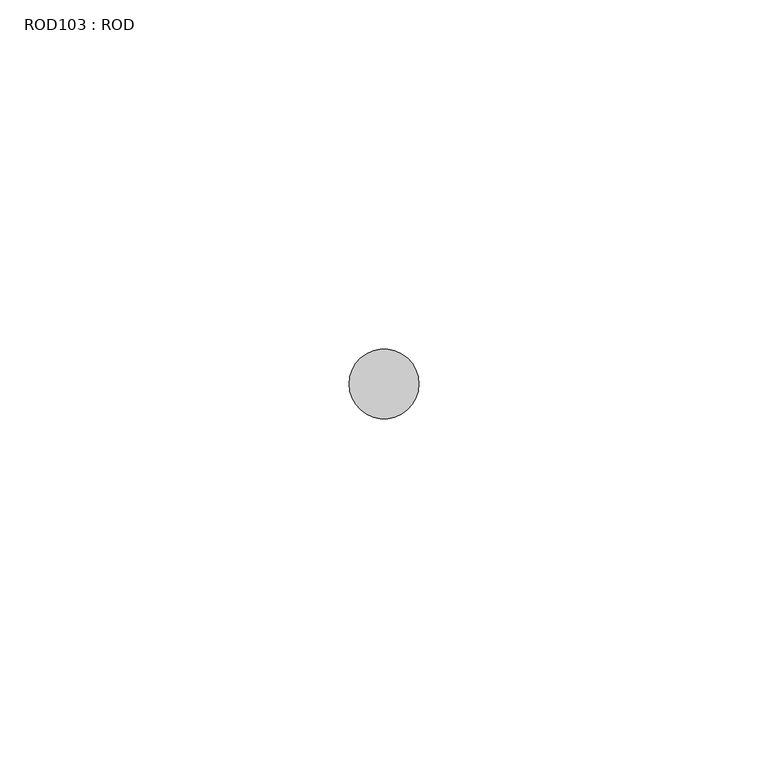
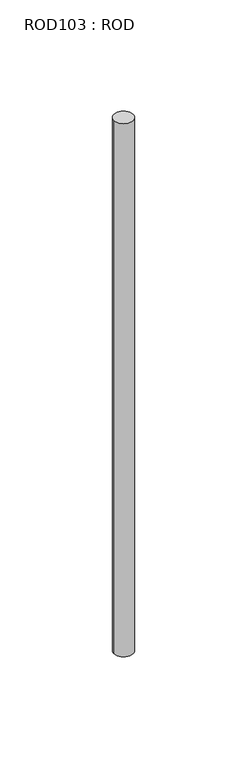
"""IFC4 building model written with IfcOpenShell, lengths in millimetres: proxy geometry, ROD103 : ROD."""

from ifc_helpers import new_model, si_unit, point, frame, frame_2d, origin, place, context, project, spatial, circle_curve, trimmed, segment, composite_curve, outline, extrude, source, transform, mapped, element, save


def rod103_rod_98a3d419(model_context):
    return source(origin(), model_context, "Body", "SweptSolid", [
        extrude(outline(composite_curve([segment(trimmed(circle_curve(frame_2d((-847.2215616, -12414.6300853)), 5.0), [point((-852.2215616, -12414.6300853))], [point((-842.2215616, -12414.6300853))], False, "CARTESIAN"), True, "CONTINUOUS"), segment(trimmed(circle_curve(frame_2d((-847.2215616, -12414.6300853)), 5.0), [point((-842.2215616, -12414.6300853))], [point((-852.2215616, -12414.6300853))], False, "CARTESIAN"), True, "CONTINUOUS")], self_intersect=False)), frame((0.0, 0.0, -208.6608845), z_axis=(0.0, 0.0, 1.0), x_axis=(1.0, 0.0, 0.0)), (0.0, 0.0, 1.0), 298.9028972),
    ])


if __name__ == "__main__":
    model = new_model("IFC4")
    model_context = context("Model", 3, world=origin())
    ifc_project = project(units=[si_unit("LENGTHUNIT", "METRE", prefix="MILLI")], contexts=[model_context])
    site = spatial("IfcSite", under=ifc_project)
    building = spatial("IfcBuilding", under=site)
    placement = place(None, origin())
    rod103_rod_shape = rod103_rod_98a3d419(model_context)
    element("IfcBuildingElementProxy", 1, Name="ROD103 : ROD", ObjectType="ROD103 : ROD", at=placement, inside=building, context=model_context, shape_type="MappedRepresentation", body=[
        mapped(rod103_rod_shape, transform((0.0, 0.0, 0.0), x_axis=(1.0, 0.0, 0.0), y_axis=(0.0, 1.0, 0.0), z_axis=(0.0, 0.0, 1.0))),
    ])
    save(model, "model.ifc")
